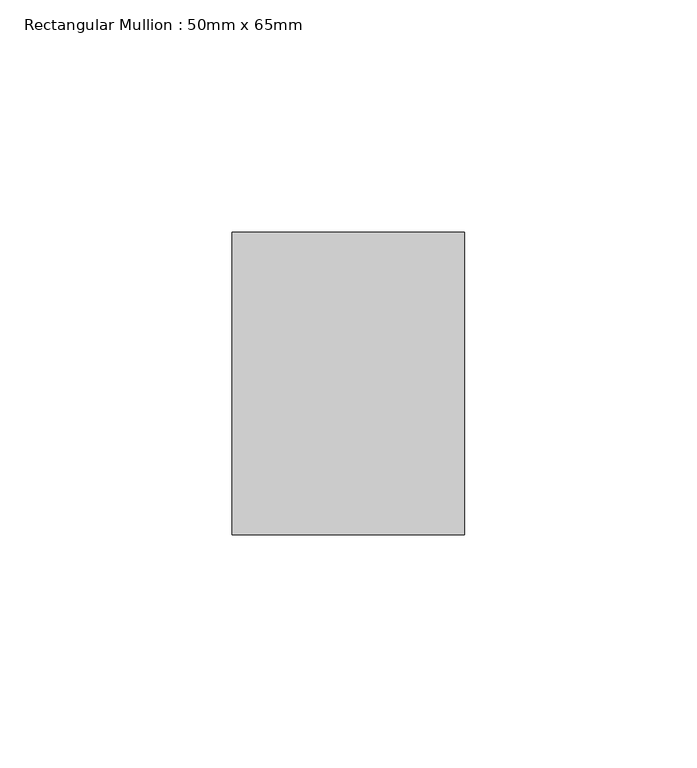
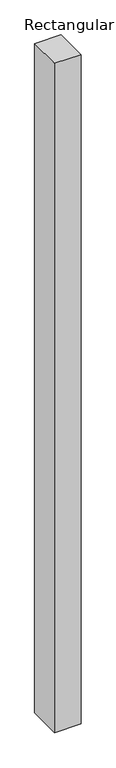
"""IFC4 building model written with IfcOpenShell, lengths in millimetres: member geometry, Rectangular Mullion : 50mm x 65mm."""

from ifc_helpers import new_model, si_unit, frame, origin, place, context, project, spatial, polyline, outline, extrude, source, transform, mapped, element, save


def rectangular_mullion_50mm_x_65mm_05480d81(model_context):
    return source(origin(), model_context, "Body", "SweptSolid", [
        extrude(outline(polyline([(25.0, 32.5), (25.0, -32.5), (-25.0, -32.5), (-25.0, 32.5), (25.0, 32.5)])), frame((0.0, 0.0, -1337.4791583), z_axis=(0.0, 0.0, 1.0), x_axis=(1.0, 0.0, 0.0)), (0.0, 0.0, 1.0), 1337.4791583),
    ])


if __name__ == "__main__":
    model = new_model("IFC4")
    model_context = context("Model", 3, world=origin())
    ifc_project = project(units=[si_unit("LENGTHUNIT", "METRE", prefix="MILLI")], contexts=[model_context])
    site = spatial("IfcSite", under=ifc_project)
    building = spatial("IfcBuilding", under=site)
    placement = place(None, origin())
    rectangular_mullion_50mm_x_65mm_shape = rectangular_mullion_50mm_x_65mm_05480d81(model_context)
    element("IfcMember", 1, ObjectType="Rectangular Mullion : 50mm x 65mm", at=placement, inside=building, context=model_context, shape_type="MappedRepresentation", body=[
        mapped(rectangular_mullion_50mm_x_65mm_shape, transform((0.0, 0.0, 0.0), x_axis=(1.0, 0.0, 0.0), y_axis=(0.0, 1.0, 0.0), z_axis=(0.0, 0.0, 1.0))),
    ])
    save(model, "model.ifc")
